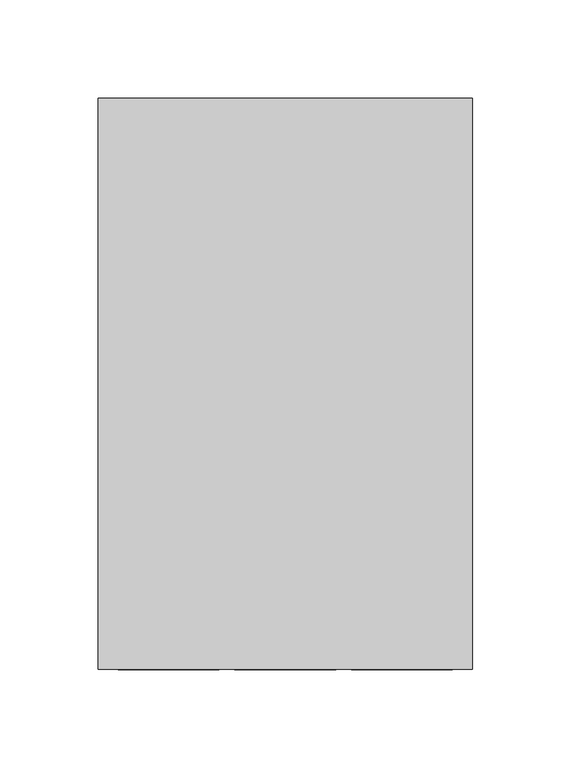
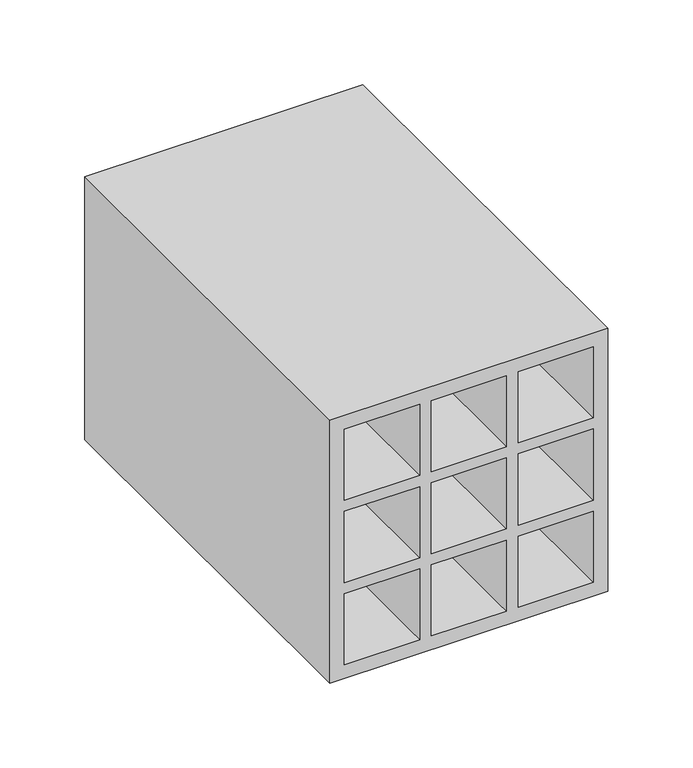
"""IFC4 building model written with IfcOpenShell, lengths in millimetres: proxy geometry."""

from ifc_helpers import new_model, si_unit, frame, origin, place, context, project, spatial, polyline, outline, extrude, source, transform, mapped, element, save


def generic_models_b0df53ba(model_context):
    return source(origin(), model_context, "Body", "SweptSolid", [
        extrude(outline(polyline([(0.0, 190.0), (190.0, 190.0), (190.0, 0.0), (0.0, 0.0), (0.0, 190.0)]), holes=[polyline([(10.0, 128.7), (61.3, 128.7), (61.3, 180.0), (10.0, 180.0), (10.0, 128.7)]), polyline([(10.0, 61.3), (10.0, 10.0), (61.3, 10.0), (61.3, 61.3), (10.0, 61.3)]), polyline([(180.0, 128.7), (180.0, 180.0), (128.7, 180.0), (128.7, 128.7), (180.0, 128.7)]), polyline([(180.0, 61.3), (128.7, 61.3), (128.7, 10.0), (180.0, 10.0), (180.0, 61.3)]), polyline([(61.3, 120.7), (10.0, 120.7), (10.0, 69.3), (61.3, 69.3), (61.3, 120.7)]), polyline([(128.7, 120.7), (128.7, 69.3), (180.0, 69.3), (180.0, 120.7), (128.7, 120.7)]), polyline([(120.7, 128.7), (120.7, 180.0), (69.3, 180.0), (69.3, 128.7), (120.7, 128.7)]), polyline([(120.7, 69.3), (120.7, 120.6), (69.3, 120.6), (69.3, 69.3), (120.7, 69.3)]), polyline([(120.7, 10.0), (120.7, 61.3), (69.3, 61.3), (69.3, 10.0), (120.7, 10.0)])]), frame((0.0, 0.0, 0.0), z_axis=(0.0, 1.0, 0.0), x_axis=(0.0, 0.0, 1.0)), (0.0, 0.0, 1.0), 290.0),
    ])


if __name__ == "__main__":
    model = new_model("IFC4")
    model_context = context("Model", 3, world=origin())
    ifc_project = project(units=[si_unit("LENGTHUNIT", "METRE", prefix="MILLI")], contexts=[model_context])
    site = spatial("IfcSite", under=ifc_project)
    building = spatial("IfcBuilding", under=site)
    placement = place(None, origin())
    generic_models_shape = generic_models_b0df53ba(model_context)
    element("IfcBuildingElementProxy", 1, Name="Generic Models", at=placement, inside=building, context=model_context, shape_type="MappedRepresentation", body=[
        mapped(generic_models_shape, transform((0.0, 0.0, 0.0), x_axis=(1.0, 0.0, 0.0), y_axis=(0.0, 1.0, 0.0), z_axis=(0.0, 0.0, 1.0))),
    ])
    save(model, "model.ifc")
